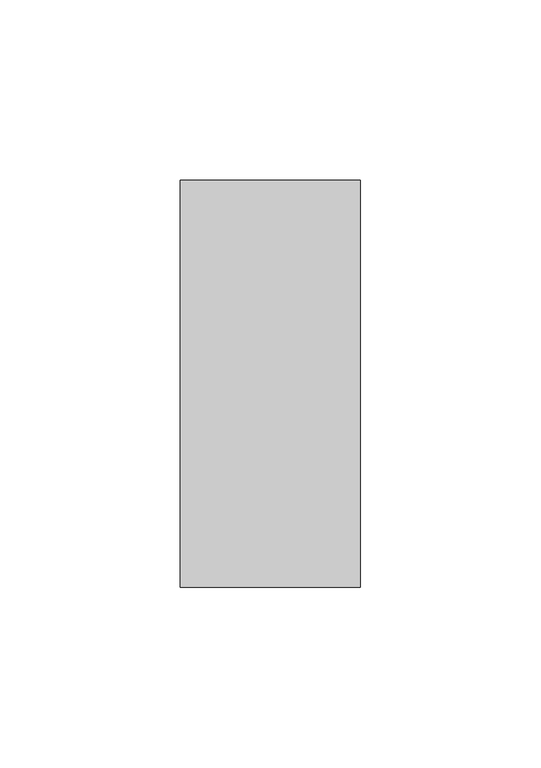
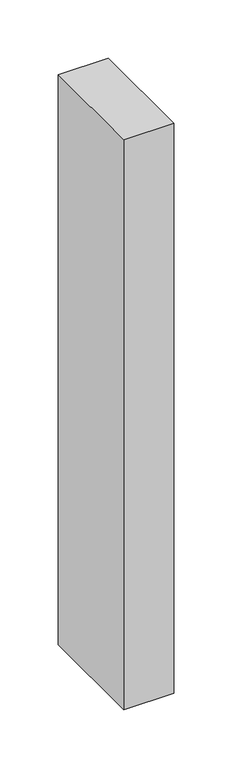
"""IFC4 building model written with IfcOpenShell, lengths in millimetres: member geometry."""

from ifc_helpers import new_model, si_unit, frame, origin, place, context, project, spatial, polyline, outline, extrude, source, transform, mapped, element, save


def member_832fc114(model_context):
    return source(origin(), model_context, "Body", "SweptSolid", [
        extrude(outline(polyline([(0.0, -22.0), (-50.0, -22.0), (-50.0, 91.0), (0.0, 91.0), (0.0, -22.0)])), frame((0.0, 0.0, -600.0), z_axis=(0.0, 0.0, 1.0), x_axis=(1.0, 0.0, 0.0)), (0.0, 0.0, 1.0), 600.0),
    ])


if __name__ == "__main__":
    model = new_model("IFC4")
    model_context = context("Model", 3, world=origin())
    ifc_project = project(units=[si_unit("LENGTHUNIT", "METRE", prefix="MILLI")], contexts=[model_context])
    site = spatial("IfcSite", under=ifc_project)
    building = spatial("IfcBuilding", under=site)
    placement = place(None, origin())
    member_shape = member_832fc114(model_context)
    element("IfcMember", 1, at=placement, inside=building, context=model_context, shape_type="MappedRepresentation", body=[
        mapped(member_shape, transform((0.0, 0.0, 0.0), x_axis=(1.0, 0.0, 0.0), y_axis=(0.0, 1.0, 0.0), z_axis=(0.0, 0.0, 1.0))),
    ])
    save(model, "model.ifc")
